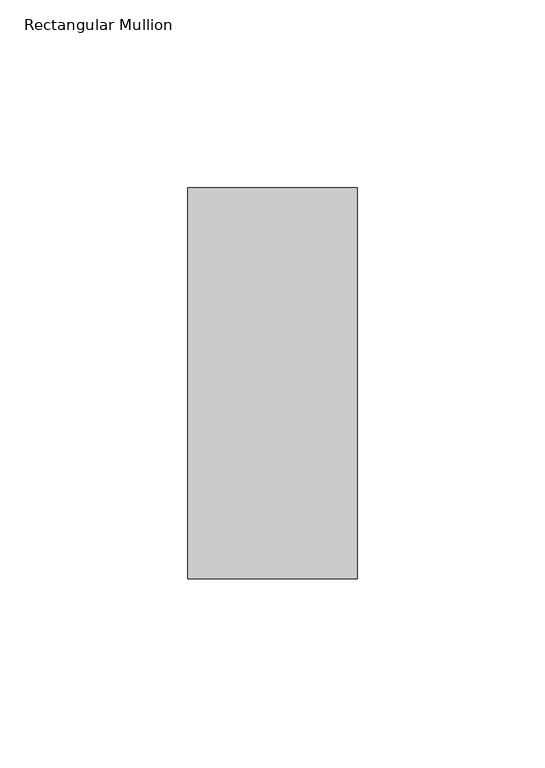
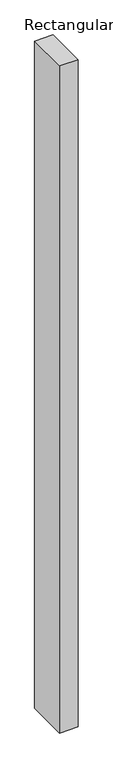
"""IFC4 building model written with IfcOpenShell, lengths in millimetres: member geometry, Rectangular Mullion."""

from ifc_helpers import new_model, si_unit, frame, origin, place, context, project, spatial, polyline, outline, extrude, source, transform, mapped, element, save


def rectangular_mullion_29492a32(model_context):
    return source(origin(), model_context, "Body", "SweptSolid", [
        extrude(outline(polyline([(22.5, 67.525), (22.5, -36.525), (-22.5, -36.525), (-22.5, 67.525), (22.5, 67.525)])), frame((0.0, 0.0, -1708.8912252), z_axis=(0.0, 0.0, 1.0), x_axis=(1.0, 0.0, 0.0)), (0.0, 0.0, 1.0), 1708.8912252),
    ])


if __name__ == "__main__":
    model = new_model("IFC4")
    model_context = context("Model", 3, world=origin())
    ifc_project = project(units=[si_unit("LENGTHUNIT", "METRE", prefix="MILLI")], contexts=[model_context])
    site = spatial("IfcSite", under=ifc_project)
    building = spatial("IfcBuilding", under=site)
    placement = place(None, origin())
    rectangular_mullion_shape = rectangular_mullion_29492a32(model_context)
    element("IfcMember", 1, ObjectType="Rectangular Mullion", at=placement, inside=building, context=model_context, shape_type="MappedRepresentation", body=[
        mapped(rectangular_mullion_shape, transform((0.0, 0.0, 0.0), x_axis=(1.0, 0.0, 0.0), y_axis=(0.0, 1.0, 0.0), z_axis=(0.0, 0.0, 1.0))),
    ])
    save(model, "model.ifc")
